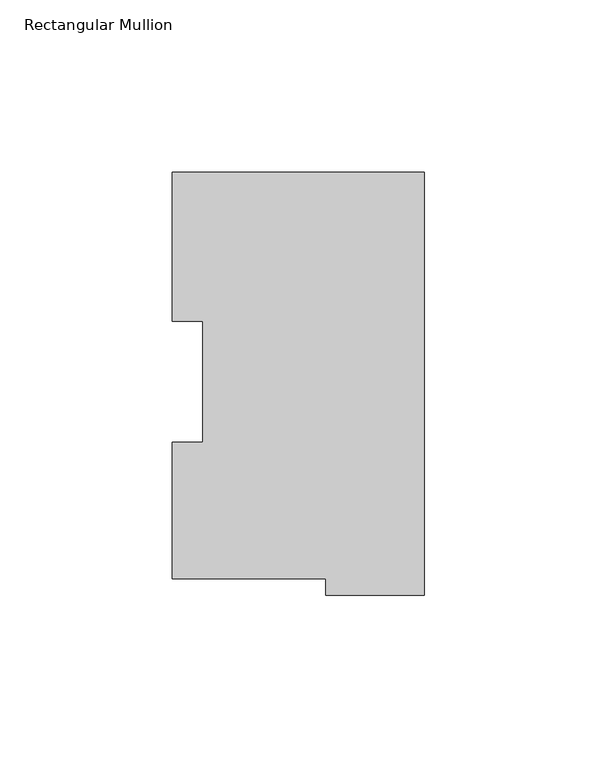
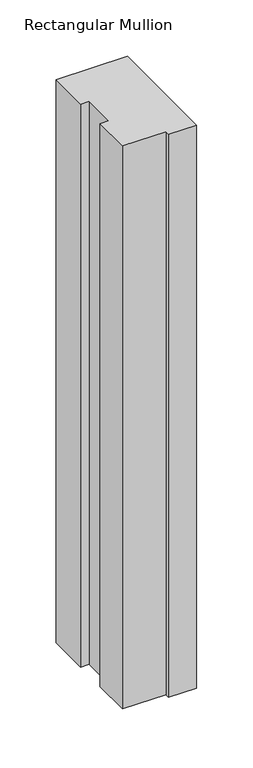
"""IFC4 building model written with IfcOpenShell, lengths in millimetres: member geometry, Rectangular Mullion."""

from ifc_helpers import new_model, si_unit, frame, origin, place, context, project, spatial, polyline, outline, extrude, source, transform, mapped, element, save


def rectangular_mullion_923e7c8c(model_context):
    return source(origin(), model_context, "Body", "SweptSolid", [
        extrude(outline(polyline([(0.0, 117.827425), (0.0, -4.778375), (-28.575, -4.778375), (-28.575, -0.028575), (-73.025, -0.028575), (-73.025, 39.646225), (-64.2874, 39.646225), (-64.2874, 74.596625), (-73.025, 74.596625), (-73.025, 117.827425), (0.0, 117.827425)])), frame((0.0, 0.0, -609.5992063), z_axis=(0.0, 0.0, 1.0), x_axis=(1.0, 0.0, 0.0)), (0.0, 0.0, 1.0), 609.5992063),
    ])


if __name__ == "__main__":
    model = new_model("IFC4")
    model_context = context("Model", 3, world=origin())
    ifc_project = project(units=[si_unit("LENGTHUNIT", "METRE", prefix="MILLI")], contexts=[model_context])
    site = spatial("IfcSite", under=ifc_project)
    building = spatial("IfcBuilding", under=site)
    placement = place(None, origin())
    rectangular_mullion_shape = rectangular_mullion_923e7c8c(model_context)
    element("IfcMember", 1, ObjectType="Rectangular Mullion", at=placement, inside=building, context=model_context, shape_type="MappedRepresentation", body=[
        mapped(rectangular_mullion_shape, transform((0.0, 0.0, 0.0), x_axis=(1.0, 0.0, 0.0), y_axis=(0.0, 1.0, 0.0), z_axis=(0.0, 0.0, 1.0))),
    ])
    save(model, "model.ifc")
